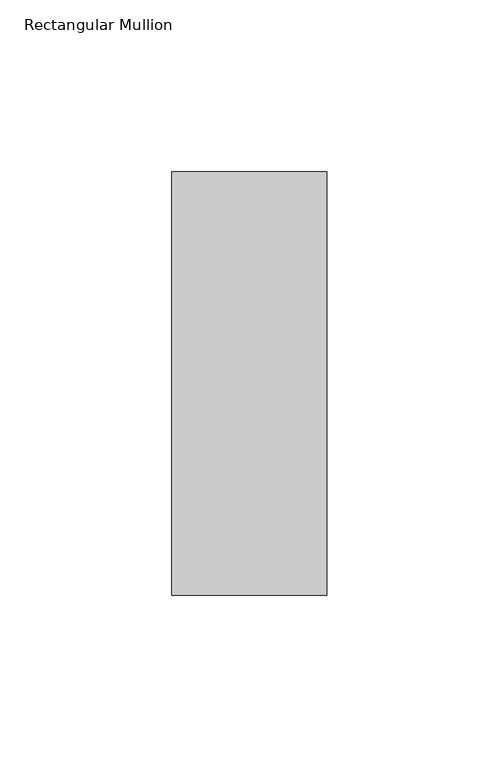
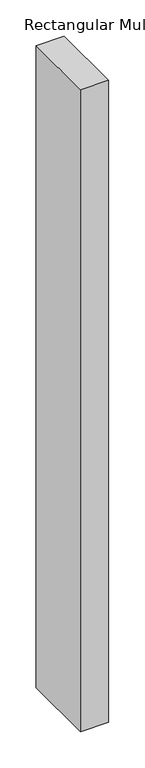
"""IFC4 building model written with IfcOpenShell, lengths in millimetres: member geometry, Rectangular Mullion."""

from ifc_helpers import new_model, si_unit, frame, origin, place, context, project, spatial, polyline, outline, extrude, source, transform, mapped, element, save


def rectangular_mullion_63d17ed7(model_context):
    return source(origin(), model_context, "Body", "SweptSolid", [
        extrude(outline(polyline([(0.0, 77.05), (0.0, -46.05), (-45.0, -46.05), (-45.0, 77.05), (0.0, 77.05)])), frame((0.0, 0.0, -1083.1128906), z_axis=(0.0, 0.0, 1.0), x_axis=(1.0, 0.0, 0.0)), (0.0, 0.0, 1.0), 1083.1128906),
    ])


if __name__ == "__main__":
    model = new_model("IFC4")
    model_context = context("Model", 3, world=origin())
    ifc_project = project(units=[si_unit("LENGTHUNIT", "METRE", prefix="MILLI")], contexts=[model_context])
    site = spatial("IfcSite", under=ifc_project)
    building = spatial("IfcBuilding", under=site)
    placement = place(None, origin())
    rectangular_mullion_shape = rectangular_mullion_63d17ed7(model_context)
    element("IfcMember", 1, ObjectType="Rectangular Mullion", at=placement, inside=building, context=model_context, shape_type="MappedRepresentation", body=[
        mapped(rectangular_mullion_shape, transform((0.0, 0.0, 0.0), x_axis=(1.0, 0.0, 0.0), y_axis=(0.0, 1.0, 0.0), z_axis=(0.0, 0.0, 1.0))),
    ])
    save(model, "model.ifc")
